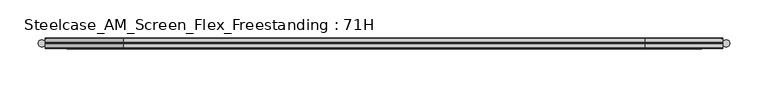
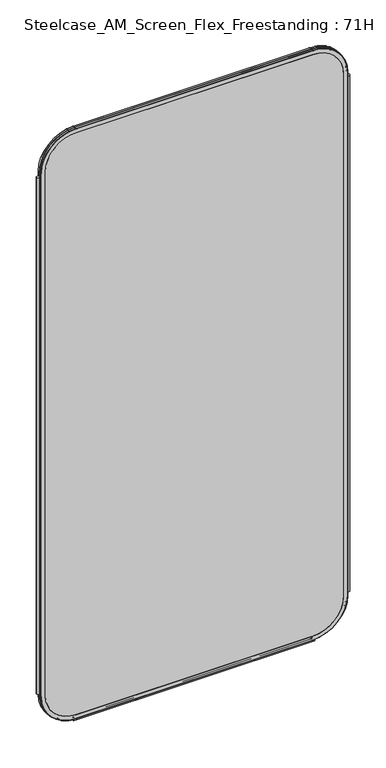
"""IFC4 building model written with IfcOpenShell, lengths in millimetres: furniture geometry, Steelcase_AM_Screen_Flex_Freestanding : 71H."""

from ifc_helpers import new_model, si_unit, point, frame, frame_2d, origin, place, context, project, spatial, polyline, circle_curve, ellipse_curve, trimmed, segment, composite_curve, outline, extrude, source, transform, mapped, element, save
from ifc_brep_helpers import plane_surface, cylinder_surface, revolved_surface, advanced_brep


def steelcase_am_screen_flex_freestanding_71h_63d7caac(model_context):
    return source(origin(), model_context, "Body", "SolidModel", [
        extrude(outline(composite_curve([segment(trimmed(circle_curve(frame_2d((4.5307839, 0.0)), 4.572), [point((-0.0412161, 0.0))], [point((9.1027839, 0.0))], False, "CARTESIAN"), True, "CONTINUOUS"), segment(trimmed(circle_curve(frame_2d((4.5307839, 0.0)), 4.572), [point((9.1027839, 0.0))], [point((-0.0412161, 0.0))], False, "CARTESIAN"), True, "CONTINUOUS")], self_intersect=False)), frame((0.0, 0.0, 115.57), z_axis=(0.0, 0.0, 1.0), x_axis=(1.0, 0.0, 0.0)), (0.0, 0.0, 1.0), 1572.26),
        extrude(outline(composite_curve([segment(trimmed(circle_curve(frame_2d((898.7749587, 0.0)), 4.572), [point((894.2029587, 0.0))], [point((903.3469587, 0.0))], False, "CARTESIAN"), True, "CONTINUOUS"), segment(trimmed(circle_curve(frame_2d((898.7749587, 0.0)), 4.572), [point((903.3469587, 0.0))], [point((894.2029587, 0.0))], False, "CARTESIAN"), True, "CONTINUOUS")], self_intersect=False)), frame((0.0, 0.0, 115.57), z_axis=(0.0, 0.0, 1.0), x_axis=(1.0, 0.0, 0.0)), (0.0, 0.0, 1.0), 1572.26),
        extrude(outline(composite_curve([segment(trimmed(circle_curve(frame_2d((3.5, 2.4751953)), 2.5), [point((3.5, 4.9751953))], [point((1.4656663, 1.0220998))], False, "CARTESIAN"), True, "CONTINUOUS"), segment(trimmed(circle_curve(frame_2d((0.0, -0.0248047)), 1.8011626), [point((1.4656663, 1.0220998))], [point((-1.4656663, 1.0220998))], True, "CARTESIAN"), True, "CONTINUOUS"), segment(trimmed(circle_curve(frame_2d((-3.5, 2.4751953)), 2.5), [point((-1.4656663, 1.0220998))], [point((-3.5, 4.9751953))], False, "CARTESIAN"), True, "CONTINUOUS"), segment(trimmed(circle_curve(frame_2d((-3.5, 4.4751953)), 0.5), [point((-3.5, 4.9751953))], [point((-3.5, 3.9751953))], False, "CARTESIAN"), True, "CONTINUOUS"), segment(trimmed(circle_curve(frame_2d((-3.5, 2.4751953)), 1.5), [point((-3.5, 3.9751953))], [point((-2.3025096, 1.5718589))], True, "CARTESIAN"), True, "CONTINUOUS"), segment(trimmed(circle_curve(frame_2d((-10.3325937, 7.629417)), 10.0586411), [point((-2.3025096, 1.5718589))], [point((-0.714976, 4.6836248))], True, "CARTESIAN"), True, "CONTINUOUS"), segment(trimmed(circle_curve(frame_2d((0.0, 4.4646339)), 0.7477618), [point((-0.714976, 4.6836248))], [point((0.714976, 4.6836248))], False, "CARTESIAN"), True, "CONTINUOUS"), segment(trimmed(circle_curve(frame_2d((10.3325937, 7.629417)), 10.0586411), [point((0.714976, 4.6836248))], [point((2.3025096, 1.5718589))], True, "CARTESIAN"), True, "CONTINUOUS"), segment(trimmed(circle_curve(frame_2d((3.5, 2.4751953)), 1.5), [point((2.3025096, 1.5718589))], [point((3.5, 3.9751953))], True, "CARTESIAN"), True, "CONTINUOUS"), segment(trimmed(circle_curve(frame_2d((3.5, 4.4751953)), 0.5), [point((3.5, 3.9751953))], [point((3.5, 4.9751953))], False, "CARTESIAN"), True, "CONTINUOUS")], self_intersect=False)), frame((104.1640108, 0.0, 0.0), z_axis=(1.0, 0.0, 0.0), x_axis=(0.0, 1.0, 0.0)), (0.0, 0.0, 1.0), 694.9777209),
        advanced_brep(
        [(9.9273521, 0.0, 1701.8), (9.9273521, 0.0, 106.5996464), (110.7653521, 0.0, 5.7616464), (792.5652086, 0.0, 5.7616464), (893.4032086, 0.0, 106.5996464), (893.4032086, 0.0, 1701.8), (792.5652086, 0.0, 1802.638), (110.7653521, 0.0, 1802.638), (792.5652086, 0.0, 17.6996464), (110.7653521, 0.0, 17.6996464), (21.8653521, 0.0, 106.5996464), (21.8653521, 0.0, 1701.8), (110.7653521, 0.0, 1790.7), (792.5652086, 0.0, 1790.7), (881.4652086, 0.0, 1701.8), (881.4652086, 0.0, 106.5996464), (110.7653521, 0.762, 1803.4), (9.1653521, 0.762, 1701.8), (110.7653521, 6.096, 1803.4), (9.1653521, 6.096, 1701.8), (110.7653521, 6.858, 1802.638), (9.9273521, 6.858, 1701.8), (21.8653521, 6.858, 1701.8), (110.7653521, 6.858, 1790.7), (792.5652086, 0.762, 1803.4), (792.5652086, 6.096, 1803.4), (792.5652086, 6.858, 1802.638), (792.5652086, 6.858, 1790.7), (894.1652086, 0.762, 1701.8), (894.1652086, 6.096, 1701.8), (893.4032086, 6.858, 1701.8), (881.4652086, 6.858, 1701.8), (894.1652086, 0.762, 106.5996464), (894.1652086, 6.096, 106.5996464), (893.4032086, 6.858, 106.5996464), (881.4652086, 6.858, 106.5996464), (792.5652086, 0.762, 4.9996464), (792.5652086, 6.096, 4.9996464), (792.5652086, 6.858, 5.7616464), (792.5652086, 6.858, 17.6996464), (110.7653521, 0.762, 4.9996464), (110.7653521, 6.096, 4.9996464), (110.7653521, 6.858, 5.7616464), (110.7653521, 6.858, 17.6996464), (9.1653521, 0.762, 106.5996464), (9.1653521, 6.096, 106.5996464), (9.9273521, 6.858, 106.5996464), (21.8653521, 6.858, 106.5996464)],
        [
            (0, 1),
            (1, 2, circle_curve(frame((110.7653521, 0.0, 106.5996464), z_axis=(0.0, -1.0, 0.0), x_axis=(0.0, 0.0, -1.0)), 100.838)),
            (2, 3),
            (3, 4, circle_curve(frame((792.5652086, 0.0, 106.5996464), z_axis=(0.0, -1.0, 0.0), x_axis=(1.0, 0.0, 0.0)), 100.838)),
            (4, 5),
            (5, 6, circle_curve(frame((792.5652086, 0.0, 1701.8), z_axis=(0.0, -1.0, 0.0), x_axis=(0.0, 0.0, 1.0)), 100.838)),
            (6, 7),
            (7, 0, circle_curve(frame((110.7653521, 0.0, 1701.8), z_axis=(0.0, -1.0, 0.0), x_axis=(-1.0, 0.0, 0.0)), 100.838)),
            (8, 9),
            (9, 10, circle_curve(frame((110.7653521, 0.0, 106.5996464), z_axis=(0.0, 1.0, 0.0), x_axis=(0.0, 0.0, -1.0)), 88.9)),
            (10, 11),
            (11, 12, circle_curve(frame((110.7653521, 0.0, 1701.8), z_axis=(0.0, 1.0, 0.0), x_axis=(-1.0, 0.0, 0.0)), 88.9)),
            (12, 13),
            (13, 14, circle_curve(frame((792.5652086, 0.0, 1701.8), z_axis=(0.0, 1.0, 0.0), x_axis=(0.0, 0.0, 1.0)), 88.9)),
            (14, 15),
            (15, 8, circle_curve(frame((792.5652086, 0.0, 106.5996464), z_axis=(0.0, 1.0, 0.0), x_axis=(1.0, 0.0, 0.0)), 88.9)),
            (16, 17, circle_curve(frame((110.7653521, 0.762, 1701.8), z_axis=(0.0, -1.0, 0.0), x_axis=(-1.0, 0.0, 0.0)), 101.6)),
            (17, 0, circle_curve(frame((9.9273521, 0.762, 1701.8), z_axis=(0.0, 0.0, 1.0), x_axis=(-1.0, 0.0, 0.0)), 0.762)),
            (7, 16, circle_curve(frame((110.7653521, 0.762, 1802.638), z_axis=(-1.0, 0.0, 0.0), x_axis=(0.0, 0.0, 1.0)), 0.762)),
            (18, 19, circle_curve(frame((110.7653521, 6.096, 1701.8), z_axis=(0.0, -1.0, 0.0), x_axis=(-1.0, 0.0, 0.0)), 101.6)),
            (19, 17),
            (16, 18),
            (20, 21, circle_curve(frame((110.7653521, 6.858, 1701.8), z_axis=(0.0, -1.0, 0.0), x_axis=(-1.0, 0.0, 0.0)), 100.838)),
            (21, 19, circle_curve(frame((9.9273521, 6.096, 1701.8), z_axis=(0.0, 0.0, 1.0), x_axis=(-1.0, 0.0, 0.0)), 0.762)),
            (18, 20, circle_curve(frame((110.7653521, 6.096, 1802.638), z_axis=(-1.0, 0.0, 0.0), x_axis=(0.0, 0.0, 1.0)), 0.762)),
            (11, 22),
            (22, 23, circle_curve(frame((110.7653521, 6.858, 1701.8), z_axis=(0.0, 1.0, 0.0), x_axis=(-1.0, 0.0, 0.0)), 88.9)),
            (23, 12),
            (6, 24, circle_curve(frame((792.5652086, 0.762, 1802.638), z_axis=(-1.0, 0.0, 0.0), x_axis=(0.0, 0.0, 1.0)), 0.762)),
            (24, 16),
            (24, 25),
            (25, 18),
            (25, 26, circle_curve(frame((792.5652086, 6.096, 1802.638), z_axis=(-1.0, 0.0, 0.0), x_axis=(0.0, 0.0, 1.0)), 0.762)),
            (26, 20),
            (23, 27),
            (27, 13),
            (28, 24, circle_curve(frame((792.5652086, 0.762, 1701.8), z_axis=(0.0, -1.0, 0.0), x_axis=(0.0, 0.0, 1.0)), 101.6)),
            (5, 28, circle_curve(frame((893.4032086, 0.762, 1701.8), z_axis=(0.0, 0.0, 1.0), x_axis=(1.0, 0.0, 0.0)), 0.762)),
            (29, 25, circle_curve(frame((792.5652086, 6.096, 1701.8), z_axis=(0.0, -1.0, 0.0), x_axis=(0.0, 0.0, 1.0)), 101.6)),
            (28, 29),
            (30, 26, circle_curve(frame((792.5652086, 6.858, 1701.8), z_axis=(0.0, -1.0, 0.0), x_axis=(0.0, 0.0, 1.0)), 100.838)),
            (29, 30, circle_curve(frame((893.4032086, 6.096, 1701.8), z_axis=(0.0, 0.0, 1.0), x_axis=(1.0, 0.0, 0.0)), 0.762)),
            (27, 31, circle_curve(frame((792.5652086, 6.858, 1701.8), z_axis=(0.0, 1.0, 0.0), x_axis=(0.0, 0.0, 1.0)), 88.9)),
            (31, 14),
            (4, 32, circle_curve(frame((893.4032086, 0.762, 106.5996464), z_axis=(0.0, 0.0, 1.0), x_axis=(1.0, 0.0, 0.0)), 0.762)),
            (32, 28),
            (32, 33),
            (33, 29),
            (33, 34, circle_curve(frame((893.4032086, 6.096, 106.5996464), z_axis=(0.0, 0.0, 1.0), x_axis=(1.0, 0.0, 0.0)), 0.762)),
            (34, 30),
            (31, 35),
            (35, 15),
            (36, 32, circle_curve(frame((792.5652086, 0.762, 106.5996464), z_axis=(0.0, -1.0, 0.0), x_axis=(1.0, 0.0, 0.0)), 101.6)),
            (3, 36, circle_curve(frame((792.5652086, 0.762, 5.7616464), z_axis=(1.0, 0.0, 0.0), x_axis=(0.0, 0.0, -1.0)), 0.762)),
            (37, 33, circle_curve(frame((792.5652086, 6.096, 106.5996464), z_axis=(0.0, -1.0, 0.0), x_axis=(1.0, 0.0, 0.0)), 101.6)),
            (36, 37),
            (38, 34, circle_curve(frame((792.5652086, 6.858, 106.5996464), z_axis=(0.0, -1.0, 0.0), x_axis=(1.0, 0.0, 0.0)), 100.838)),
            (37, 38, circle_curve(frame((792.5652086, 6.096, 5.7616464), z_axis=(1.0, 0.0, 0.0), x_axis=(0.0, 0.0, -1.0)), 0.762)),
            (35, 39, circle_curve(frame((792.5652086, 6.858, 106.5996464), z_axis=(0.0, 1.0, 0.0), x_axis=(1.0, 0.0, 0.0)), 88.9)),
            (39, 8),
            (2, 40, circle_curve(frame((110.7653521, 0.762, 5.7616464), z_axis=(1.0, 0.0, 0.0), x_axis=(0.0, 0.0, -1.0)), 0.762)),
            (40, 36),
            (40, 41),
            (41, 37),
            (41, 42, circle_curve(frame((110.7653521, 6.096, 5.7616464), z_axis=(1.0, 0.0, 0.0), x_axis=(0.0, 0.0, -1.0)), 0.762)),
            (42, 38),
            (39, 43),
            (43, 9),
            (44, 40, circle_curve(frame((110.7653521, 0.762, 106.5996464), z_axis=(0.0, -1.0, 0.0), x_axis=(0.0, 0.0, -1.0)), 101.6)),
            (1, 44, circle_curve(frame((9.9273521, 0.762, 106.5996464), z_axis=(0.0, 0.0, -1.0), x_axis=(-1.0, 0.0, 0.0)), 0.762)),
            (45, 41, circle_curve(frame((110.7653521, 6.096, 106.5996464), z_axis=(0.0, -1.0, 0.0), x_axis=(0.0, 0.0, -1.0)), 101.6)),
            (44, 45),
            (46, 42, circle_curve(frame((110.7653521, 6.858, 106.5996464), z_axis=(0.0, -1.0, 0.0), x_axis=(0.0, 0.0, -1.0)), 100.838)),
            (45, 46, circle_curve(frame((9.9273521, 6.096, 106.5996464), z_axis=(0.0, 0.0, -1.0), x_axis=(-1.0, 0.0, 0.0)), 0.762)),
            (43, 47, circle_curve(frame((110.7653521, 6.858, 106.5996464), z_axis=(0.0, 1.0, 0.0), x_axis=(0.0, 0.0, -1.0)), 88.9)),
            (47, 10),
            (17, 44),
            (19, 45),
            (21, 46),
            (22, 47),
        ],
        [
            plane_surface(frame((21.8653521, 0.0, 106.5996464), z_axis=(0.0, -1.0, 0.0), x_axis=(0.0, 0.0, 1.0))),
            revolved_surface(trimmed(ellipse_curve(frame((9.9273521, 0.762, 1701.8), z_axis=(0.0, 0.0, -1.0), x_axis=(-1.0, 0.0, 0.0)), 0.762, 0.762), [point((9.9273521, 0.0, 1701.8))], [point((9.1653521, 0.762, 1701.8))], True, "CARTESIAN"), (110.7653521, 0.0, 1701.8), (0.0, 1.0, 0.0)),
            cylinder_surface(frame((110.7653521, 0.0, 1701.8), z_axis=(0.0, 1.0, 0.0), x_axis=(-1.0, 0.0, 0.0)), 101.6),
            revolved_surface(trimmed(ellipse_curve(frame((9.9273521, 6.096, 1701.8), z_axis=(0.0, 0.0, -1.0), x_axis=(-1.0, 0.0, 0.0)), 0.762, 0.762), [point((9.1653521, 6.096, 1701.8))], [point((9.9273521, 6.858, 1701.8))], True, "CARTESIAN"), (110.7653521, 0.0, 1701.8), (0.0, 1.0, 0.0)),
            revolved_surface(polyline([(21.865352099999996, 6.858, 1701.8), (21.865352099999996, 0.0, 1701.8)]), (110.7653521, 0.0, 1701.8), (0.0, 1.0, 0.0)),
            cylinder_surface(frame((110.7653521, 0.762, 1802.638), z_axis=(-1.0, 0.0, 0.0), x_axis=(0.0, 0.0, 1.0)), 0.762),
            plane_surface(frame((110.7653521, 0.762, 1803.4), z_axis=(0.0, 0.0, 1.0), x_axis=(1.0, 0.0, 0.0))),
            cylinder_surface(frame((110.7653521, 6.096, 1802.638), z_axis=(-1.0, 0.0, 0.0), x_axis=(0.0, 0.0, 1.0)), 0.762),
            plane_surface(frame((110.7653521, 6.858, 1790.7), z_axis=(0.0, 0.0, -1.0), x_axis=(1.0, 0.0, 0.0))),
            revolved_surface(trimmed(ellipse_curve(frame((792.5652086, 0.762, 1802.638), z_axis=(-1.0, 0.0, 0.0), x_axis=(0.0, 0.0, 1.0)), 0.762, 0.762), [point((792.5652086, 0.0, 1802.638))], [point((792.5652086, 0.762, 1803.4))], True, "CARTESIAN"), (792.5652086, 0.0, 1701.8), (0.0, 1.0, 0.0)),
            cylinder_surface(frame((792.5652086, 0.0, 1701.8), z_axis=(0.0, 1.0, 0.0), x_axis=(0.0, 0.0, 1.0)), 101.6),
            revolved_surface(trimmed(ellipse_curve(frame((792.5652086, 6.096, 1802.638), z_axis=(-1.0, 0.0, 0.0), x_axis=(0.0, 0.0, 1.0)), 0.762, 0.762), [point((792.5652086, 6.096, 1803.4))], [point((792.5652086, 6.858, 1802.638))], True, "CARTESIAN"), (792.5652086, 0.0, 1701.8), (0.0, 1.0, 0.0)),
            revolved_surface(polyline([(792.5652086, 6.858, 1790.7), (792.5652086, 0.0, 1790.7)]), (792.5652086, 0.0, 1701.8), (0.0, 1.0, 0.0)),
            cylinder_surface(frame((893.4032086, 0.762, 1701.8), z_axis=(0.0, 0.0, 1.0), x_axis=(1.0, 0.0, 0.0)), 0.762),
            plane_surface(frame((894.1652086, 0.762, 1701.8), z_axis=(1.0, 0.0, 0.0), x_axis=(0.0, 0.0, -1.0))),
            cylinder_surface(frame((893.4032086, 6.096, 1701.8), z_axis=(0.0, 0.0, 1.0), x_axis=(1.0, 0.0, 0.0)), 0.762),
            plane_surface(frame((881.4652086, 6.858, 1701.8), z_axis=(-1.0, 0.0, 0.0), x_axis=(0.0, 0.0, -1.0))),
            revolved_surface(trimmed(ellipse_curve(frame((893.4032086, 0.762, 106.5996464), z_axis=(0.0, 0.0, 1.0), x_axis=(1.0, 0.0, 0.0)), 0.762, 0.762), [point((893.4032086, 0.0, 106.5996464))], [point((894.1652086, 0.762, 106.5996464))], True, "CARTESIAN"), (792.5652086, 0.0, 106.5996464), (0.0, 1.0, 0.0)),
            cylinder_surface(frame((792.5652086, 0.0, 106.5996464), z_axis=(0.0, 1.0, 0.0), x_axis=(1.0, 0.0, 0.0)), 101.6),
            revolved_surface(trimmed(ellipse_curve(frame((893.4032086, 6.096, 106.5996464), z_axis=(0.0, 0.0, 1.0), x_axis=(1.0, 0.0, 0.0)), 0.762, 0.762), [point((894.1652086, 6.096, 106.5996464))], [point((893.4032086, 6.858, 106.5996464))], True, "CARTESIAN"), (792.5652086, 0.0, 106.5996464), (0.0, 1.0, 0.0)),
            revolved_surface(polyline([(881.4652086, 6.858, 106.5996464), (881.4652086, 0.0, 106.5996464)]), (792.5652086, 0.0, 106.5996464), (0.0, 1.0, 0.0)),
            cylinder_surface(frame((792.5652086, 0.762, 5.7616464), z_axis=(1.0, 0.0, 0.0), x_axis=(0.0, 0.0, -1.0)), 0.762),
            plane_surface(frame((792.5652086, 0.762, 4.9996464), z_axis=(0.0, 0.0, -1.0), x_axis=(-1.0, 0.0, 0.0))),
            cylinder_surface(frame((792.5652086, 6.096, 5.7616464), z_axis=(1.0, 0.0, 0.0), x_axis=(0.0, 0.0, -1.0)), 0.762),
            plane_surface(frame((792.5652086, 6.858, 17.6996464), z_axis=(0.0, 0.0, 1.0), x_axis=(-1.0, 0.0, 0.0))),
            revolved_surface(trimmed(ellipse_curve(frame((110.7653521, 0.762, 5.7616464), z_axis=(1.0, 0.0, 0.0), x_axis=(0.0, 0.0, -1.0)), 0.762, 0.762), [point((110.7653521, 0.0, 5.7616464))], [point((110.7653521, 0.762, 4.9996464))], True, "CARTESIAN"), (110.7653521, 0.0, 106.5996464), (0.0, 1.0, 0.0)),
            cylinder_surface(frame((110.7653521, 0.0, 106.5996464), z_axis=(0.0, 1.0, 0.0), x_axis=(0.0, 0.0, -1.0)), 101.6),
            revolved_surface(trimmed(ellipse_curve(frame((110.7653521, 6.096, 5.7616464), z_axis=(1.0, 0.0, 0.0), x_axis=(0.0, 0.0, -1.0)), 0.762, 0.762), [point((110.7653521, 6.096, 4.9996464))], [point((110.7653521, 6.858, 5.7616464))], True, "CARTESIAN"), (110.7653521, 0.0, 106.5996464), (0.0, 1.0, 0.0)),
            revolved_surface(polyline([(110.7653521, 6.858, 17.699646399999992), (110.7653521, 0.0, 17.699646399999992)]), (110.7653521, 0.0, 106.5996464), (0.0, 1.0, 0.0)),
            cylinder_surface(frame((9.9273521, 0.762, 106.5996464), z_axis=(0.0, 0.0, -1.0), x_axis=(-1.0, 0.0, 0.0)), 0.762),
            plane_surface(frame((9.1653521, 0.762, 106.5996464), z_axis=(-1.0, 0.0, 0.0), x_axis=(0.0, 0.0, 1.0))),
            cylinder_surface(frame((9.9273521, 6.096, 106.5996464), z_axis=(0.0, 0.0, -1.0), x_axis=(-1.0, 0.0, 0.0)), 0.762),
            plane_surface(frame((9.9273521, 6.858, 106.5996464), z_axis=(0.0, 1.0, 0.0), x_axis=(0.0, 0.0, 1.0))),
            plane_surface(frame((21.8653521, 6.858, 106.5996464), z_axis=(1.0, 0.0, 0.0), x_axis=(0.0, 0.0, 1.0))),
        ],
        [
            (0, [[1, 2, 3, 4, 5, 6, 7, 8], [9, 10, 11, 12, 13, 14, 15, 16]]),
            (1, [[17, 18, -8, 19]]),
            (2, [[20, 21, -17, 22]]),
            (3, [[23, 24, -20, 25]]),
            (4, [[-12, 26, 27, 28]]),
            (5, [[-19, -7, 29, 30]]),
            (6, [[-22, -30, 31, 32]]),
            (7, [[-25, -32, 33, 34]]),
            (8, [[-28, 35, 36, -13]]),
            (9, [[37, -29, -6, 38]]),
            (10, [[39, -31, -37, 40]]),
            (11, [[41, -33, -39, 42]]),
            (12, [[-14, -36, 43, 44]]),
            (13, [[-38, -5, 45, 46]]),
            (14, [[-40, -46, 47, 48]]),
            (15, [[-42, -48, 49, 50]]),
            (16, [[-44, 51, 52, -15]]),
            (17, [[53, -45, -4, 54]]),
            (18, [[55, -47, -53, 56]]),
            (19, [[57, -49, -55, 58]]),
            (20, [[-16, -52, 59, 60]]),
            (21, [[-54, -3, 61, 62]]),
            (22, [[-56, -62, 63, 64]]),
            (23, [[-58, -64, 65, 66]]),
            (24, [[-60, 67, 68, -9]]),
            (25, [[69, -61, -2, 70]]),
            (26, [[71, -63, -69, 72]]),
            (27, [[73, -65, -71, 74]]),
            (28, [[-10, -68, 75, 76]]),
            (29, [[-70, -1, -18, 77]]),
            (30, [[-72, -77, -21, 78]]),
            (31, [[-74, -78, -24, 79]]),
            (32, [[-66, -73, -79, -23, -34, -41, -50, -57], [80, -75, -67, -59, -51, -43, -35, -27]]),
            (33, [[-76, -80, -26, -11]]),
        ],
    ),
        extrude(outline(composite_curve([segment(polyline([(1790.7, 792.5652086), (1790.7, 110.7653521)]), True, "CONTINUOUS"), segment(trimmed(circle_curve(frame_2d((1701.8, 110.7653521)), 88.9), [point((1790.7, 110.7653521))], [point((1701.8, 21.8653521))], False, "CARTESIAN"), True, "CONTINUOUS"), segment(polyline([(1701.8, 21.8653521), (106.5996464, 21.8653521)]), True, "CONTINUOUS"), segment(trimmed(circle_curve(frame_2d((106.5996464, 110.7653521)), 88.9), [point((106.5996464, 21.8653521))], [point((17.6996464, 110.7653521))], False, "CARTESIAN"), True, "CONTINUOUS"), segment(polyline([(17.6996464, 110.7653521), (17.6996464, 792.5652086)]), True, "CONTINUOUS"), segment(trimmed(circle_curve(frame_2d((106.5996464, 792.5652086)), 88.9), [point((17.6996464, 792.5652086))], [point((106.5996464, 881.4652086))], False, "CARTESIAN"), True, "CONTINUOUS"), segment(polyline([(106.5996464, 881.4652086), (1701.8, 881.4652086)]), True, "CONTINUOUS"), segment(trimmed(circle_curve(frame_2d((1701.8, 792.5652086)), 88.9), [point((1701.8, 881.4652086))], [point((1790.7, 792.5652086))], False, "CARTESIAN"), True, "CONTINUOUS")], self_intersect=False)), frame((0.0, 0.0, 0.0), z_axis=(0.0, 1.0, 0.0), x_axis=(0.0, 0.0, 1.0)), (0.0, 0.0, 1.0), 6.858),
        advanced_brep(
        [(110.7653521, -6.858, 1790.7), (21.8653521, -6.858, 1701.8), (21.8653521, 0.0, 1701.8), (110.7653521, 0.0, 1790.7), (110.7653521, -6.096, 1803.4), (9.1653521, -6.096, 1701.8), (9.9273521, -6.858, 1701.8), (110.7653521, -6.858, 1802.638), (110.7653521, -0.762, 1803.4), (9.1653521, -0.762, 1701.8), (110.7653521, 0.0, 1802.638), (9.9273521, 0.0, 1701.8), (792.5652086, 0.0, 1790.7), (792.5652086, -6.858, 1790.7), (792.5652086, -6.858, 1802.638), (792.5652086, -6.096, 1803.4), (792.5652086, -0.762, 1803.4), (792.5652086, 0.0, 1802.638), (881.4652086, -6.858, 1701.8), (881.4652086, 0.0, 1701.8), (894.1652086, -6.096, 1701.8), (893.4032086, -6.858, 1701.8), (894.1652086, -0.762, 1701.8), (893.4032086, 0.0, 1701.8), (881.4652086, 0.0, 106.5996464), (881.4652086, -6.858, 106.5996464), (893.4032086, -6.858, 106.5996464), (894.1652086, -6.096, 106.5996464), (894.1652086, -0.762, 106.5996464), (893.4032086, 0.0, 106.5996464), (792.5652086, -6.858, 17.6996464), (792.5652086, 0.0, 17.6996464), (792.5652086, -6.096, 4.9996464), (792.5652086, -6.858, 5.7616464), (792.5652086, -0.762, 4.9996464), (792.5652086, 0.0, 5.7616464), (110.7653521, 0.0, 17.6996464), (110.7653521, -6.858, 17.6996464), (110.7653521, -6.858, 5.7616464), (110.7653521, -6.096, 4.9996464), (110.7653521, -0.762, 4.9996464), (110.7653521, 0.0, 5.7616464), (21.8653521, -6.858, 106.5996464), (21.8653521, 0.0, 106.5996464), (9.1653521, -6.096, 106.5996464), (9.9273521, -6.858, 106.5996464), (9.1653521, -0.762, 106.5996464), (9.9273521, 0.0, 106.5996464)],
        [
            (0, 1, circle_curve(frame((110.7653521, -6.858, 1701.8), z_axis=(0.0, -1.0, 0.0), x_axis=(-1.0, 0.0, 0.0)), 88.9)),
            (1, 2),
            (2, 3, circle_curve(frame((110.7653521, 0.0, 1701.8), z_axis=(0.0, 1.0, 0.0), x_axis=(-1.0, 0.0, 0.0)), 88.9)),
            (3, 0),
            (4, 5, circle_curve(frame((110.7653521, -6.096, 1701.8), z_axis=(0.0, -1.0, 0.0), x_axis=(-1.0, 0.0, 0.0)), 101.6)),
            (5, 6, circle_curve(frame((9.9273521, -6.096, 1701.8), z_axis=(0.0, 0.0, 1.0), x_axis=(-1.0, 0.0, 0.0)), 0.762)),
            (6, 7, circle_curve(frame((110.7653521, -6.858, 1701.8), z_axis=(0.0, 1.0, 0.0), x_axis=(-1.0, 0.0, 0.0)), 100.838)),
            (7, 4, circle_curve(frame((110.7653521, -6.096, 1802.638), z_axis=(-1.0, 0.0, 0.0), x_axis=(0.0, 0.0, 1.0)), 0.762)),
            (8, 9, circle_curve(frame((110.7653521, -0.762, 1701.8), z_axis=(0.0, -1.0, 0.0), x_axis=(-1.0, 0.0, 0.0)), 101.6)),
            (9, 5),
            (4, 8),
            (10, 11, circle_curve(frame((110.7653521, 0.0, 1701.8), z_axis=(0.0, -1.0, 0.0), x_axis=(-1.0, 0.0, 0.0)), 100.838)),
            (11, 9, circle_curve(frame((9.9273521, -0.762, 1701.8), z_axis=(0.0, 0.0, 1.0), x_axis=(-1.0, 0.0, 0.0)), 0.762)),
            (8, 10, circle_curve(frame((110.7653521, -0.762, 1802.638), z_axis=(-1.0, 0.0, 0.0), x_axis=(0.0, 0.0, 1.0)), 0.762)),
            (3, 12),
            (12, 13),
            (13, 0),
            (7, 14),
            (14, 15, circle_curve(frame((792.5652086, -6.096, 1802.638), z_axis=(-1.0, 0.0, 0.0), x_axis=(0.0, 0.0, 1.0)), 0.762)),
            (15, 4),
            (15, 16),
            (16, 8),
            (16, 17, circle_curve(frame((792.5652086, -0.762, 1802.638), z_axis=(-1.0, 0.0, 0.0), x_axis=(0.0, 0.0, 1.0)), 0.762)),
            (17, 10),
            (18, 13, circle_curve(frame((792.5652086, -6.858, 1701.8), z_axis=(0.0, -1.0, 0.0), x_axis=(0.0, 0.0, 1.0)), 88.9)),
            (12, 19, circle_curve(frame((792.5652086, 0.0, 1701.8), z_axis=(0.0, 1.0, 0.0), x_axis=(0.0, 0.0, 1.0)), 88.9)),
            (19, 18),
            (20, 15, circle_curve(frame((792.5652086, -6.096, 1701.8), z_axis=(0.0, -1.0, 0.0), x_axis=(0.0, 0.0, 1.0)), 101.6)),
            (14, 21, circle_curve(frame((792.5652086, -6.858, 1701.8), z_axis=(0.0, 1.0, 0.0), x_axis=(0.0, 0.0, 1.0)), 100.838)),
            (21, 20, circle_curve(frame((893.4032086, -6.096, 1701.8), z_axis=(0.0, 0.0, 1.0), x_axis=(1.0, 0.0, 0.0)), 0.762)),
            (22, 16, circle_curve(frame((792.5652086, -0.762, 1701.8), z_axis=(0.0, -1.0, 0.0), x_axis=(0.0, 0.0, 1.0)), 101.6)),
            (20, 22),
            (23, 17, circle_curve(frame((792.5652086, 0.0, 1701.8), z_axis=(0.0, -1.0, 0.0), x_axis=(0.0, 0.0, 1.0)), 100.838)),
            (22, 23, circle_curve(frame((893.4032086, -0.762, 1701.8), z_axis=(0.0, 0.0, 1.0), x_axis=(1.0, 0.0, 0.0)), 0.762)),
            (19, 24),
            (24, 25),
            (25, 18),
            (21, 26),
            (26, 27, circle_curve(frame((893.4032086, -6.096, 106.5996464), z_axis=(0.0, 0.0, 1.0), x_axis=(1.0, 0.0, 0.0)), 0.762)),
            (27, 20),
            (27, 28),
            (28, 22),
            (28, 29, circle_curve(frame((893.4032086, -0.762, 106.5996464), z_axis=(0.0, 0.0, 1.0), x_axis=(1.0, 0.0, 0.0)), 0.762)),
            (29, 23),
            (30, 25, circle_curve(frame((792.5652086, -6.858, 106.5996464), z_axis=(0.0, -1.0, 0.0), x_axis=(1.0, 0.0, 0.0)), 88.9)),
            (24, 31, circle_curve(frame((792.5652086, 0.0, 106.5996464), z_axis=(0.0, 1.0, 0.0), x_axis=(1.0, 0.0, 0.0)), 88.9)),
            (31, 30),
            (32, 27, circle_curve(frame((792.5652086, -6.096, 106.5996464), z_axis=(0.0, -1.0, 0.0), x_axis=(1.0, 0.0, 0.0)), 101.6)),
            (26, 33, circle_curve(frame((792.5652086, -6.858, 106.5996464), z_axis=(0.0, 1.0, 0.0), x_axis=(1.0, 0.0, 0.0)), 100.838)),
            (33, 32, circle_curve(frame((792.5652086, -6.096, 5.7616464), z_axis=(1.0, 0.0, 0.0), x_axis=(0.0, 0.0, -1.0)), 0.762)),
            (34, 28, circle_curve(frame((792.5652086, -0.762, 106.5996464), z_axis=(0.0, -1.0, 0.0), x_axis=(1.0, 0.0, 0.0)), 101.6)),
            (32, 34),
            (35, 29, circle_curve(frame((792.5652086, 0.0, 106.5996464), z_axis=(0.0, -1.0, 0.0), x_axis=(1.0, 0.0, 0.0)), 100.838)),
            (34, 35, circle_curve(frame((792.5652086, -0.762, 5.7616464), z_axis=(1.0, 0.0, 0.0), x_axis=(0.0, 0.0, -1.0)), 0.762)),
            (31, 36),
            (36, 37),
            (37, 30),
            (33, 38),
            (38, 39, circle_curve(frame((110.7653521, -6.096, 5.7616464), z_axis=(1.0, 0.0, 0.0), x_axis=(0.0, 0.0, -1.0)), 0.762)),
            (39, 32),
            (39, 40),
            (40, 34),
            (40, 41, circle_curve(frame((110.7653521, -0.762, 5.7616464), z_axis=(1.0, 0.0, 0.0), x_axis=(0.0, 0.0, -1.0)), 0.762)),
            (41, 35),
            (42, 37, circle_curve(frame((110.7653521, -6.858, 106.5996464), z_axis=(0.0, -1.0, 0.0), x_axis=(0.0, 0.0, -1.0)), 88.9)),
            (36, 43, circle_curve(frame((110.7653521, 0.0, 106.5996464), z_axis=(0.0, 1.0, 0.0), x_axis=(0.0, 0.0, -1.0)), 88.9)),
            (43, 42),
            (44, 39, circle_curve(frame((110.7653521, -6.096, 106.5996464), z_axis=(0.0, -1.0, 0.0), x_axis=(0.0, 0.0, -1.0)), 101.6)),
            (38, 45, circle_curve(frame((110.7653521, -6.858, 106.5996464), z_axis=(0.0, 1.0, 0.0), x_axis=(0.0, 0.0, -1.0)), 100.838)),
            (45, 44, circle_curve(frame((9.9273521, -6.096, 106.5996464), z_axis=(0.0, 0.0, -1.0), x_axis=(-1.0, 0.0, 0.0)), 0.762)),
            (46, 40, circle_curve(frame((110.7653521, -0.762, 106.5996464), z_axis=(0.0, -1.0, 0.0), x_axis=(0.0, 0.0, -1.0)), 101.6)),
            (44, 46),
            (47, 41, circle_curve(frame((110.7653521, 0.0, 106.5996464), z_axis=(0.0, -1.0, 0.0), x_axis=(0.0, 0.0, -1.0)), 100.838)),
            (46, 47, circle_curve(frame((9.9273521, -0.762, 106.5996464), z_axis=(0.0, 0.0, -1.0), x_axis=(-1.0, 0.0, 0.0)), 0.762)),
            (43, 2),
            (1, 42),
            (6, 45),
            (5, 44),
            (9, 46),
            (11, 47),
        ],
        [
            revolved_surface(polyline([(21.865352099999996, 0.0, 1701.8), (21.865352099999996, -6.858, 1701.8)]), (110.7653521, 0.0, 1701.8), (0.0, 1.0, 0.0)),
            revolved_surface(trimmed(ellipse_curve(frame((9.9273521, -6.096, 1701.8), z_axis=(0.0, 0.0, -1.0), x_axis=(-1.0, 0.0, 0.0)), 0.762, 0.762), [point((9.9273521, -6.858, 1701.8))], [point((9.1653521, -6.096, 1701.8))], True, "CARTESIAN"), (110.7653521, 0.0, 1701.8), (0.0, 1.0, 0.0)),
            cylinder_surface(frame((110.7653521, 0.0, 1701.8), z_axis=(0.0, 1.0, 0.0), x_axis=(-1.0, 0.0, 0.0)), 101.6),
            revolved_surface(trimmed(ellipse_curve(frame((9.9273521, -0.762, 1701.8), z_axis=(0.0, 0.0, -1.0), x_axis=(-1.0, 0.0, 0.0)), 0.762, 0.762), [point((9.1653521, -0.762, 1701.8))], [point((9.9273521, 0.0, 1701.8))], True, "CARTESIAN"), (110.7653521, 0.0, 1701.8), (0.0, 1.0, 0.0)),
            plane_surface(frame((110.7653521, 0.0, 1790.7), z_axis=(0.0, 0.0, -1.0), x_axis=(1.0, 0.0, 0.0))),
            cylinder_surface(frame((110.7653521, -6.096, 1802.638), z_axis=(-1.0, 0.0, 0.0), x_axis=(0.0, 0.0, 1.0)), 0.762),
            plane_surface(frame((110.7653521, -6.096, 1803.4), z_axis=(0.0, 0.0, 1.0), x_axis=(1.0, 0.0, 0.0))),
            cylinder_surface(frame((110.7653521, -0.762, 1802.638), z_axis=(-1.0, 0.0, 0.0), x_axis=(0.0, 0.0, 1.0)), 0.762),
            revolved_surface(polyline([(792.5652086, 0.0, 1790.7), (792.5652086, -6.858, 1790.7)]), (792.5652086, 0.0, 1701.8), (0.0, 1.0, 0.0)),
            revolved_surface(trimmed(ellipse_curve(frame((792.5652086, -6.096, 1802.638), z_axis=(-1.0, 0.0, 0.0), x_axis=(0.0, 0.0, 1.0)), 0.762, 0.762), [point((792.5652086, -6.858, 1802.638))], [point((792.5652086, -6.096, 1803.4))], True, "CARTESIAN"), (792.5652086, 0.0, 1701.8), (0.0, 1.0, 0.0)),
            cylinder_surface(frame((792.5652086, 0.0, 1701.8), z_axis=(0.0, 1.0, 0.0), x_axis=(0.0, 0.0, 1.0)), 101.6),
            revolved_surface(trimmed(ellipse_curve(frame((792.5652086, -0.762, 1802.638), z_axis=(-1.0, 0.0, 0.0), x_axis=(0.0, 0.0, 1.0)), 0.762, 0.762), [point((792.5652086, -0.762, 1803.4))], [point((792.5652086, 0.0, 1802.638))], True, "CARTESIAN"), (792.5652086, 0.0, 1701.8), (0.0, 1.0, 0.0)),
            plane_surface(frame((881.4652086, 0.0, 1701.8), z_axis=(-1.0, 0.0, 0.0), x_axis=(0.0, 0.0, -1.0))),
            cylinder_surface(frame((893.4032086, -6.096, 1701.8), z_axis=(0.0, 0.0, 1.0), x_axis=(1.0, 0.0, 0.0)), 0.762),
            plane_surface(frame((894.1652086, -6.096, 1701.8), z_axis=(1.0, 0.0, 0.0), x_axis=(0.0, 0.0, -1.0))),
            cylinder_surface(frame((893.4032086, -0.762, 1701.8), z_axis=(0.0, 0.0, 1.0), x_axis=(1.0, 0.0, 0.0)), 0.762),
            revolved_surface(polyline([(881.4652086, 0.0, 106.5996464), (881.4652086, -6.858, 106.5996464)]), (792.5652086, 0.0, 106.5996464), (0.0, 1.0, 0.0)),
            revolved_surface(trimmed(ellipse_curve(frame((893.4032086, -6.096, 106.5996464), z_axis=(0.0, 0.0, 1.0), x_axis=(1.0, 0.0, 0.0)), 0.762, 0.762), [point((893.4032086, -6.858, 106.5996464))], [point((894.1652086, -6.096, 106.5996464))], True, "CARTESIAN"), (792.5652086, 0.0, 106.5996464), (0.0, 1.0, 0.0)),
            cylinder_surface(frame((792.5652086, 0.0, 106.5996464), z_axis=(0.0, 1.0, 0.0), x_axis=(1.0, 0.0, 0.0)), 101.6),
            revolved_surface(trimmed(ellipse_curve(frame((893.4032086, -0.762, 106.5996464), z_axis=(0.0, 0.0, 1.0), x_axis=(1.0, 0.0, 0.0)), 0.762, 0.762), [point((894.1652086, -0.762, 106.5996464))], [point((893.4032086, 0.0, 106.5996464))], True, "CARTESIAN"), (792.5652086, 0.0, 106.5996464), (0.0, 1.0, 0.0)),
            plane_surface(frame((792.5652086, 0.0, 17.6996464), z_axis=(0.0, 0.0, 1.0), x_axis=(-1.0, 0.0, 0.0))),
            cylinder_surface(frame((792.5652086, -6.096, 5.7616464), z_axis=(1.0, 0.0, 0.0), x_axis=(0.0, 0.0, -1.0)), 0.762),
            plane_surface(frame((792.5652086, -6.096, 4.9996464), z_axis=(0.0, 0.0, -1.0), x_axis=(-1.0, 0.0, 0.0))),
            cylinder_surface(frame((792.5652086, -0.762, 5.7616464), z_axis=(1.0, 0.0, 0.0), x_axis=(0.0, 0.0, -1.0)), 0.762),
            revolved_surface(polyline([(110.7653521, 0.0, 17.699646399999992), (110.7653521, -6.858, 17.699646399999992)]), (110.7653521, 0.0, 106.5996464), (0.0, 1.0, 0.0)),
            revolved_surface(trimmed(ellipse_curve(frame((110.7653521, -6.096, 5.7616464), z_axis=(1.0, 0.0, 0.0), x_axis=(0.0, 0.0, -1.0)), 0.762, 0.762), [point((110.7653521, -6.858, 5.7616464))], [point((110.7653521, -6.096, 4.9996464))], True, "CARTESIAN"), (110.7653521, 0.0, 106.5996464), (0.0, 1.0, 0.0)),
            cylinder_surface(frame((110.7653521, 0.0, 106.5996464), z_axis=(0.0, 1.0, 0.0), x_axis=(0.0, 0.0, -1.0)), 101.6),
            revolved_surface(trimmed(ellipse_curve(frame((110.7653521, -0.762, 5.7616464), z_axis=(1.0, 0.0, 0.0), x_axis=(0.0, 0.0, -1.0)), 0.762, 0.762), [point((110.7653521, -0.762, 4.9996464))], [point((110.7653521, 0.0, 5.7616464))], True, "CARTESIAN"), (110.7653521, 0.0, 106.5996464), (0.0, 1.0, 0.0)),
            plane_surface(frame((21.8653521, 0.0, 106.5996464), z_axis=(1.0, 0.0, 0.0), x_axis=(0.0, 0.0, 1.0))),
            plane_surface(frame((21.8653521, -6.858, 106.5996464), z_axis=(0.0, -1.0, 0.0), x_axis=(0.0, 0.0, 1.0))),
            cylinder_surface(frame((9.9273521, -6.096, 106.5996464), z_axis=(0.0, 0.0, -1.0), x_axis=(-1.0, 0.0, 0.0)), 0.762),
            plane_surface(frame((9.1653521, -6.096, 106.5996464), z_axis=(-1.0, 0.0, 0.0), x_axis=(0.0, 0.0, 1.0))),
            cylinder_surface(frame((9.9273521, -0.762, 106.5996464), z_axis=(0.0, 0.0, -1.0), x_axis=(-1.0, 0.0, 0.0)), 0.762),
            plane_surface(frame((9.9273521, 0.0, 106.5996464), z_axis=(0.0, 1.0, 0.0), x_axis=(0.0, 0.0, 1.0))),
        ],
        [
            (0, [[1, 2, 3, 4]]),
            (1, [[5, 6, 7, 8]]),
            (2, [[9, 10, -5, 11]]),
            (3, [[12, 13, -9, 14]]),
            (4, [[-4, 15, 16, 17]]),
            (5, [[-8, 18, 19, 20]]),
            (6, [[-11, -20, 21, 22]]),
            (7, [[-14, -22, 23, 24]]),
            (8, [[25, -16, 26, 27]]),
            (9, [[28, -19, 29, 30]]),
            (10, [[31, -21, -28, 32]]),
            (11, [[33, -23, -31, 34]]),
            (12, [[-27, 35, 36, 37]]),
            (13, [[-30, 38, 39, 40]]),
            (14, [[-32, -40, 41, 42]]),
            (15, [[-34, -42, 43, 44]]),
            (16, [[45, -36, 46, 47]]),
            (17, [[48, -39, 49, 50]]),
            (18, [[51, -41, -48, 52]]),
            (19, [[53, -43, -51, 54]]),
            (20, [[-47, 55, 56, 57]]),
            (21, [[-50, 58, 59, 60]]),
            (22, [[-52, -60, 61, 62]]),
            (23, [[-54, -62, 63, 64]]),
            (24, [[65, -56, 66, 67]]),
            (25, [[68, -59, 69, 70]]),
            (26, [[71, -61, -68, 72]]),
            (27, [[73, -63, -71, 74]]),
            (28, [[-67, 75, -2, 76]]),
            (29, [[77, -69, -58, -49, -38, -29, -18, -7], [-57, -65, -76, -1, -17, -25, -37, -45]]),
            (30, [[-70, -77, -6, 78]]),
            (31, [[-72, -78, -10, 79]]),
            (32, [[-74, -79, -13, 80]]),
            (33, [[-64, -73, -80, -12, -24, -33, -44, -53], [-75, -66, -55, -46, -35, -26, -15, -3]]),
        ],
    ),
        extrude(outline(composite_curve([segment(polyline([(1790.7, 792.5652086), (1790.7, 110.7653521)]), True, "CONTINUOUS"), segment(trimmed(circle_curve(frame_2d((1701.8, 110.7653521)), 88.9), [point((1790.7, 110.7653521))], [point((1701.8, 21.8653521))], False, "CARTESIAN"), True, "CONTINUOUS"), segment(polyline([(1701.8, 21.8653521), (106.5996464, 21.8653521)]), True, "CONTINUOUS"), segment(trimmed(circle_curve(frame_2d((106.5996464, 110.7653521)), 88.9), [point((106.5996464, 21.8653521))], [point((17.6996464, 110.7653521))], False, "CARTESIAN"), True, "CONTINUOUS"), segment(polyline([(17.6996464, 110.7653521), (17.6996464, 792.5652086)]), True, "CONTINUOUS"), segment(trimmed(circle_curve(frame_2d((106.5996464, 792.5652086)), 88.9), [point((17.6996464, 792.5652086))], [point((106.5996464, 881.4652086))], False, "CARTESIAN"), True, "CONTINUOUS"), segment(polyline([(106.5996464, 881.4652086), (1701.8, 881.4652086)]), True, "CONTINUOUS"), segment(trimmed(circle_curve(frame_2d((1701.8, 792.5652086)), 88.9), [point((1701.8, 881.4652086))], [point((1790.7, 792.5652086))], False, "CARTESIAN"), True, "CONTINUOUS")], self_intersect=False)), frame((0.0, -6.858, 0.0), z_axis=(0.0, 1.0, 0.0), x_axis=(0.0, 0.0, 1.0)), (0.0, 0.0, 1.0), 6.858),
    ])


if __name__ == "__main__":
    model = new_model("IFC4")
    model_context = context("Model", 3, world=origin())
    ifc_project = project(units=[si_unit("LENGTHUNIT", "METRE", prefix="MILLI")], contexts=[model_context])
    site = spatial("IfcSite", under=ifc_project)
    building = spatial("IfcBuilding", under=site)
    placement = place(None, origin())
    steelcase_am_screen_flex_freestanding_71h_shape = steelcase_am_screen_flex_freestanding_71h_63d7caac(model_context)
    element("IfcFurniture", 1, ObjectType="Steelcase_AM_Screen_Flex_Freestanding : 71H", at=placement, inside=building, context=model_context, shape_type="MappedRepresentation", body=[
        mapped(steelcase_am_screen_flex_freestanding_71h_shape, transform((0.0, 0.0, 0.0), x_axis=(1.0, 0.0, 0.0), y_axis=(0.0, 1.0, 0.0), z_axis=(0.0, 0.0, 1.0))),
    ])
    save(model, "model.ifc")
